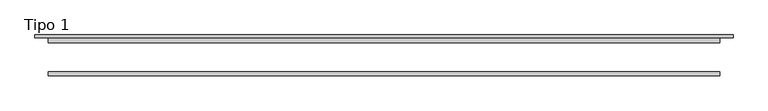
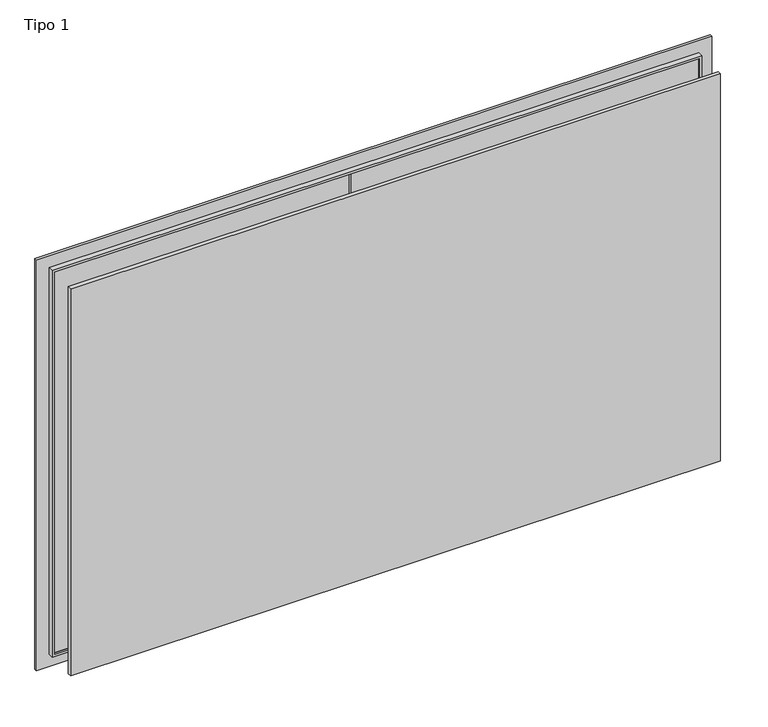
"""IFC4 building model written with IfcOpenShell, lengths in millimetres: furniture geometry, Tipo 1."""

from ifc_helpers import new_model, si_unit, frame, origin, place, context, project, spatial, polyline, outline, extrude, faceted_brep, source, transform, mapped, element, save


def tipo_1_0fa8d75a(model_context):
    return source(origin(), model_context, "Body", "SolidModel", [
        extrude(outline(polyline([(-1140.0005956, 215.0), (-1140.0005956, 225.0), (225.0, 225.0), (225.0, 215.0), (-1140.0005956, 215.0)])), frame((0.0, 0.0, 644.9994044), z_axis=(0.0, 0.0, 1.0), x_axis=(1.0, 0.0, 0.0)), (0.0, 0.0, 1.0), 1590.0011912),
        extrude(outline(polyline([(1390.0005956, 215.0), (1390.0005956, 205.0), (25.0, 205.0), (25.0, 215.0), (1390.0005956, 215.0)])), frame((0.0, 0.0, 644.9994044), z_axis=(0.0, 0.0, 1.0), x_axis=(1.0, 0.0, 0.0)), (0.0, 0.0, 1.0), 1590.0011912),
        extrude(outline(polyline([(1390.0005956, 227.5), (1390.0005956, 225.0), (-1140.0005956, 225.0), (-1140.0005956, 227.5), (1390.0005956, 227.5)])), frame((0.0, 0.0, 644.9994044), z_axis=(0.0, 0.0, 1.0), x_axis=(1.0, 0.0, 0.0)), (0.0, 0.0, 1.0), 25.0),
        extrude(outline(polyline([(1390.0005956, 227.5), (1390.0005956, 225.0), (-1140.0005956, 225.0), (-1140.0005956, 227.5), (1390.0005956, 227.5)])), frame((0.0, 0.0, 2210.0005956), z_axis=(0.0, 0.0, 1.0), x_axis=(1.0, 0.0, 0.0)), (0.0, 0.0, 1.0), 25.0),
        faceted_brep([(-1145.0, 200.0, 2240.0), (-1145.0, 220.0, 2240.0), (-1145.0, 220.0, 640.0), (-1145.0, 200.0, 640.0), (-1195.0, 220.0, 590.0), (1445.0, 220.0, 590.0), (1445.0, 220.0, 2290.0), (-1195.0, 220.0, 2290.0), (1395.0, 220.0, 2240.0), (1395.0, 220.0, 640.0), (1395.0, 200.0, 640.0), (1395.0, 200.0, 2240.0), (-1135.0, 200.0, 2230.0), (1385.0, 200.0, 2230.0), (1385.0, 200.0, 650.0), (-1135.0, 200.0, 650.0), (-1140.0005956, 230.0, 2235.0005956), (-1140.0005956, 205.0, 2235.0005956), (-1140.0005956, 205.0, 644.9994044), (-1140.0005956, 230.0, 644.9994044), (1390.0005956, 205.0, 2235.0005956), (1390.0005956, 205.0, 644.9994044), (-1135.0, 205.0, 650.0), (1385.0, 205.0, 650.0), (1385.0, 205.0, 2230.0), (-1135.0, 205.0, 2230.0), (1390.0005956, 230.0, 644.9994044), (-1162.5005956, 230.0, 2257.5005956), (1412.5005956, 230.0, 2257.5005956), (1412.5005956, 230.0, 622.4994044), (-1162.5005956, 230.0, 622.4994044), (1390.0005956, 230.0, 2235.0005956), (-1162.5005956, 225.0, 2257.5005956), (-1162.5005956, 225.0, 622.4994044), (1412.5005956, 225.0, 622.4994044), (-1165.0, 225.0, 2260.0), (1415.0, 225.0, 2260.0), (1415.0, 225.0, 620.0), (-1165.0, 225.0, 620.0), (1412.5005956, 225.0, 2257.5005956), (-1165.0, 230.0, 2260.0), (-1165.0, 230.0, 620.0), (1415.0, 230.0, 620.0), (-1195.0, 230.0, 2290.0), (1445.0, 230.0, 2290.0), (1445.0, 230.0, 590.0), (-1195.0, 230.0, 590.0), (1415.0, 230.0, 2260.0)], [[[0, 1, 2, 3]], [[4, 5, 6, 7], [1, 8, 9, 2]], [[3, 2, 9, 10]], [[3, 10, 11, 0], [12, 13, 14, 15]], [[16, 17, 18, 19]], [[17, 20, 21, 18], [22, 23, 24, 25]], [[19, 18, 21, 26]], [[27, 28, 29, 30], [19, 26, 31, 16]], [[32, 27, 30, 33]], [[33, 30, 29, 34]], [[35, 36, 37, 38], [33, 34, 39, 32]], [[40, 35, 38, 41]], [[41, 38, 37, 42]], [[43, 44, 45, 46], [41, 42, 47, 40]], [[7, 43, 46, 4]], [[4, 46, 45, 5]], [[10, 9, 8, 11]], [[26, 21, 20, 31]], [[34, 29, 28, 39]], [[42, 37, 36, 47]], [[5, 45, 44, 6]], [[23, 14, 13, 24]], [[22, 15, 14, 23]], [[25, 12, 15, 22]], [[11, 8, 1, 0]], [[31, 20, 17, 16]], [[39, 28, 27, 32]], [[47, 36, 35, 40]], [[6, 44, 43, 7]], [[24, 13, 12, 25]]]),
        extrude(outline(polyline([(1395.0, 75.0), (-1145.0, 75.0), (-1145.0, 90.0), (1395.0, 90.0), (1395.0, 75.0)])), frame((0.0, 0.0, 640.0), z_axis=(0.0, 0.0, 1.0), x_axis=(1.0, 0.0, 0.0)), (0.0, 0.0, 1.0), 1600.0),
    ])


if __name__ == "__main__":
    model = new_model("IFC4")
    model_context = context("Model", 3, world=origin())
    ifc_project = project(units=[si_unit("LENGTHUNIT", "METRE", prefix="MILLI")], contexts=[model_context])
    site = spatial("IfcSite", under=ifc_project)
    building = spatial("IfcBuilding", under=site)
    placement = place(None, origin())
    tipo_1_shape = tipo_1_0fa8d75a(model_context)
    element("IfcFurniture", 1, ObjectType="Tipo 1", at=placement, inside=building, context=model_context, shape_type="MappedRepresentation", body=[
        mapped(tipo_1_shape, transform((0.0, 0.0, 0.0), x_axis=(1.0, 0.0, 0.0), y_axis=(0.0, 1.0, 0.0), z_axis=(0.0, 0.0, 1.0))),
    ])
    save(model, "model.ifc")
